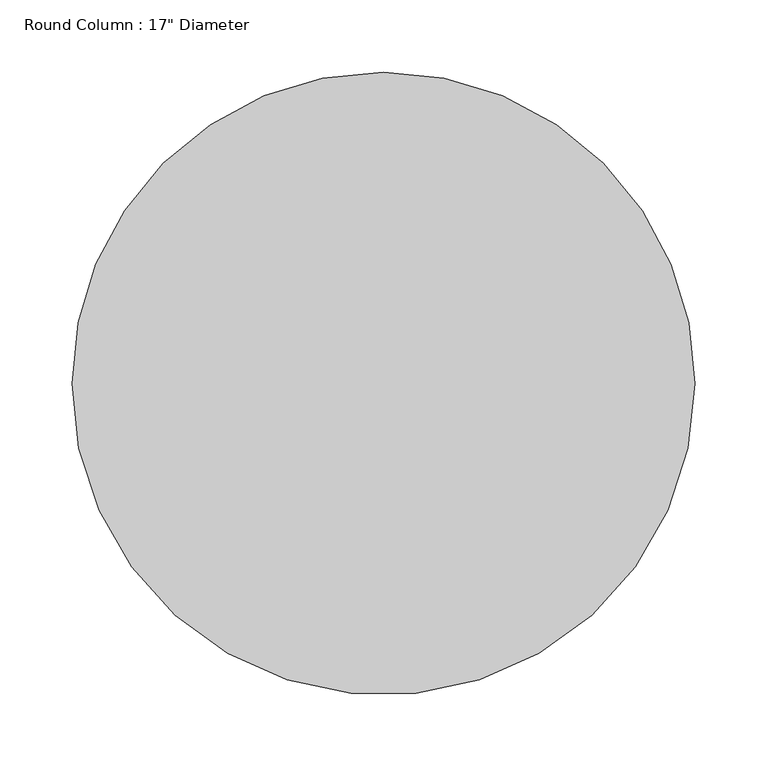
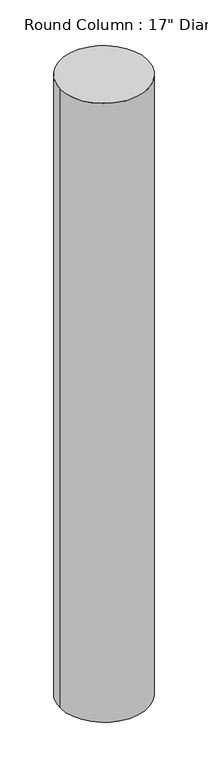
"""IFC4 building model written with IfcOpenShell, lengths in millimetres: column geometry."""

from ifc_helpers import new_model, si_unit, point, frame, origin, origin_2d, place, context, project, spatial, circle_curve, trimmed, segment, composite_curve, outline, extrude, source, transform, mapped, element, save


def column_b42b21a2(model_context):
    return source(origin(), model_context, "Body", "SweptSolid", [
        extrude(outline(composite_curve([segment(trimmed(circle_curve(origin_2d(), 215.9), [point((215.9, 0.0))], [point((-215.9, 0.0))], False, "CARTESIAN"), True, "CONTINUOUS"), segment(trimmed(circle_curve(origin_2d(), 215.9), [point((-215.9, 0.0))], [point((0.0, 215.9))], False, "CARTESIAN"), True, "CONTINUOUS"), segment(trimmed(circle_curve(origin_2d(), 215.9), [point((0.0, 215.9))], [point((215.9, 0.0))], False, "CARTESIAN"), True, "CONTINUOUS")], self_intersect=False)), frame((0.0, 0.0, -4064.0), z_axis=(0.0, 0.0, 1.0), x_axis=(1.0, 0.0, 0.0)), (0.0, 0.0, 1.0), 3225.8),
    ])


if __name__ == "__main__":
    model = new_model("IFC4")
    model_context = context("Model", 3, world=origin())
    ifc_project = project(units=[si_unit("LENGTHUNIT", "METRE", prefix="MILLI")], contexts=[model_context])
    site = spatial("IfcSite", under=ifc_project)
    building = spatial("IfcBuilding", under=site)
    placement = place(None, origin())
    column_shape = column_b42b21a2(model_context)
    element("IfcColumn", 1, ObjectType="Round Column : 17\" Diameter", at=placement, inside=building, context=model_context, shape_type="MappedRepresentation", body=[
        mapped(column_shape, transform((0.0, 0.0, 0.0), x_axis=(1.0, 0.0, 0.0), y_axis=(0.0, 1.0, 0.0), z_axis=(0.0, 0.0, 1.0))),
    ])
    save(model, "model.ifc")
